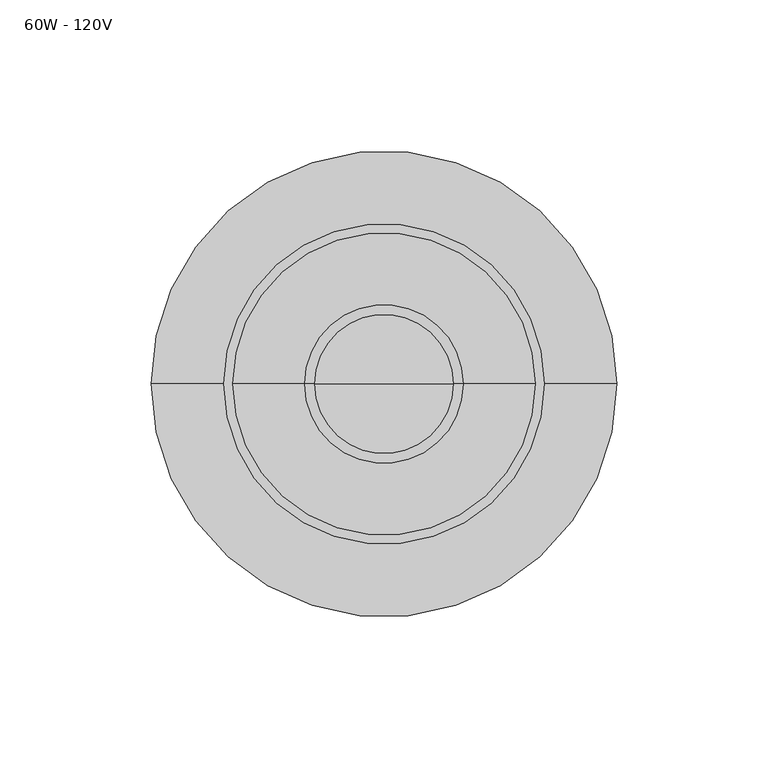
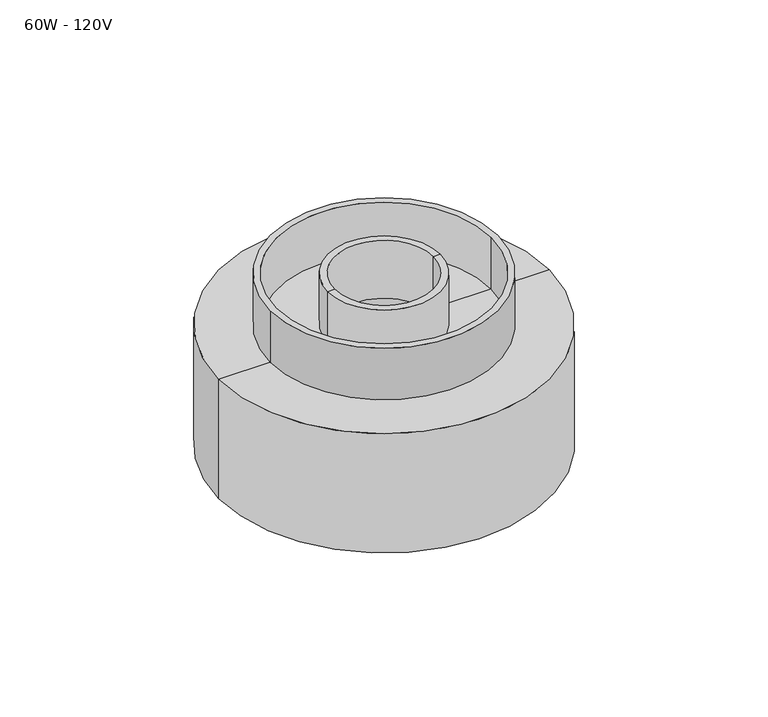
"""IFC4 building model written with IfcOpenShell, lengths in millimetres: light fixture geometry, 60W - 120V."""

from ifc_helpers import new_model, si_unit, point, frame, origin, origin_2d, place, context, project, spatial, polyline, circle_curve, trimmed, segment, composite_curve, outline, extrude, source, transform, mapped, element, save
from ifc_brep_helpers import plane_surface, cylinder_surface, revolved_surface, advanced_brep


def light_fixture_60w_120v_d44abfc2(model_context):
    return source(origin(), model_context, "Body", "SolidModel", [
        extrude(outline(composite_curve([segment(trimmed(circle_curve(origin_2d(), 53.0), [point((-53.0, 0.0))], [point((53.0, 0.0))], False, "CARTESIAN"), True, "CONTINUOUS"), segment(trimmed(circle_curve(origin_2d(), 53.0), [point((53.0, 0.0))], [point((-53.0, 0.0))], False, "CARTESIAN"), True, "CONTINUOUS")], self_intersect=False), holes=[composite_curve([segment(trimmed(circle_curve(origin_2d(), 50.0), [point((-50.0, 0.0))], [point((50.0, 0.0))], True, "CARTESIAN"), True, "CONTINUOUS"), segment(trimmed(circle_curve(origin_2d(), 50.0), [point((50.0, 0.0))], [point((-50.0, 0.0))], True, "CARTESIAN"), True, "CONTINUOUS")], self_intersect=False)]), frame((0.0, 0.0, 2413.0), z_axis=(0.0, 0.0, 1.0), x_axis=(1.0, 0.0, 0.0)), (0.0, 0.0, 1.0), 25.4),
        advanced_brep(
        [(77.0, 0.0, 2413.0), (26.2, 0.0, 2413.0), (-26.2, 0.0, 2413.0), (-77.0, 0.0, 2413.0), (77.0, 0.0, 2354.1), (-77.0, 0.0, 2354.1), (0.0, 0.0, 2354.1), (73.825, 0.0, 2357.275), (0.0, 0.0, 2357.275), (-73.825, 0.0, 2357.275), (73.825, 0.0, 2409.825), (-73.825, 0.0, 2409.825), (23.025, 0.0, 2409.825), (-23.025, 0.0, 2409.825), (23.025, 0.0, 2438.4), (-23.025, 0.0, 2438.4), (26.2, 0.0, 2438.4), (-26.2, 0.0, 2438.4)],
        [
            (0, 1),
            (1, 2, circle_curve(frame((0.0, 0.0, 2413.0), z_axis=(0.0, 0.0, -1.0), x_axis=(-1.0, 0.0, 0.0)), 26.2)),
            (2, 3),
            (3, 0, circle_curve(frame((0.0, 0.0, 2413.0), z_axis=(0.0, 0.0, 1.0), x_axis=(-1.0, 0.0, 0.0)), 77.0)),
            (2, 1, circle_curve(frame((0.0, 0.0, 2413.0), z_axis=(0.0, 0.0, -1.0), x_axis=(-1.0, 0.0, 0.0)), 26.2)),
            (0, 3, circle_curve(frame((0.0, 0.0, 2413.0), z_axis=(0.0, 0.0, 1.0), x_axis=(-1.0, 0.0, 0.0)), 77.0)),
            (4, 0),
            (3, 5),
            (5, 4, circle_curve(frame((0.0, 0.0, 2354.1), z_axis=(0.0, 0.0, 1.0), x_axis=(-1.0, 0.0, 0.0)), 77.0)),
            (4, 5, circle_curve(frame((0.0, 0.0, 2354.1), z_axis=(0.0, 0.0, 1.0), x_axis=(-1.0, 0.0, 0.0)), 77.0)),
            (6, 4),
            (5, 6),
            (7, 8),
            (8, 9),
            (9, 7, circle_curve(frame((0.0, 0.0, 2357.275), z_axis=(0.0, 0.0, 1.0), x_axis=(-1.0, 0.0, 0.0)), 73.825)),
            (7, 9, circle_curve(frame((0.0, 0.0, 2357.275), z_axis=(0.0, 0.0, 1.0), x_axis=(-1.0, 0.0, 0.0)), 73.825)),
            (10, 7),
            (9, 11),
            (11, 10, circle_curve(frame((0.0, 0.0, 2409.825), z_axis=(0.0, 0.0, 1.0), x_axis=(-1.0, 0.0, 0.0)), 73.825)),
            (10, 11, circle_curve(frame((0.0, 0.0, 2409.825), z_axis=(0.0, 0.0, 1.0), x_axis=(-1.0, 0.0, 0.0)), 73.825)),
            (12, 10),
            (11, 13),
            (13, 12, circle_curve(frame((0.0, 0.0, 2409.825), z_axis=(0.0, 0.0, 1.0), x_axis=(-1.0, 0.0, 0.0)), 23.025)),
            (12, 13, circle_curve(frame((0.0, 0.0, 2409.825), z_axis=(0.0, 0.0, 1.0), x_axis=(-1.0, 0.0, 0.0)), 23.025)),
            (14, 12),
            (13, 15),
            (15, 14, circle_curve(frame((0.0, 0.0, 2438.4), z_axis=(0.0, 0.0, 1.0), x_axis=(-1.0, 0.0, 0.0)), 23.025)),
            (14, 15, circle_curve(frame((0.0, 0.0, 2438.4), z_axis=(0.0, 0.0, 1.0), x_axis=(-1.0, 0.0, 0.0)), 23.025)),
            (16, 14),
            (15, 17),
            (17, 16, circle_curve(frame((0.0, 0.0, 2438.4), z_axis=(0.0, 0.0, 1.0), x_axis=(-1.0, 0.0, 0.0)), 26.2)),
            (16, 17, circle_curve(frame((0.0, 0.0, 2438.4), z_axis=(0.0, 0.0, 1.0), x_axis=(-1.0, 0.0, 0.0)), 26.2)),
            (1, 16),
            (17, 2),
        ],
        [
            plane_surface(frame((0.0, 0.0, 2413.0), z_axis=(0.0, 0.0, 1.0), x_axis=(-1.0, 0.0, 0.0))),
            cylinder_surface(frame((0.0, 0.0, 2463.8), z_axis=(0.0, 0.0, -1.0), x_axis=(-1.0, 0.0, 0.0)), 77.0),
            plane_surface(frame((0.0, 0.0, 2354.1), z_axis=(0.0, 0.0, -1.0), x_axis=(-1.0, 0.0, 0.0))),
            plane_surface(frame((0.0, 0.0, 2357.275), z_axis=(0.0, 0.0, 1.0), x_axis=(-1.0, 0.0, 0.0))),
            revolved_surface(polyline([(-73.825, 0.0, 2357.275), (-73.825, 0.0, 2409.825)]), (0.0, 0.0, 2463.8), (0.0, 0.0, -1.0)),
            plane_surface(frame((0.0, 0.0, 2409.825), z_axis=(0.0, 0.0, -1.0), x_axis=(-1.0, 0.0, 0.0))),
            revolved_surface(polyline([(-23.025, 0.0, 2409.825), (-23.025, 0.0, 2438.4)]), (0.0, 0.0, 2463.8), (0.0, 0.0, -1.0)),
            plane_surface(frame((0.0, 0.0, 2438.4), z_axis=(0.0, 0.0, 1.0), x_axis=(-1.0, 0.0, 0.0))),
            cylinder_surface(frame((0.0, 0.0, 2463.8), z_axis=(0.0, 0.0, -1.0), x_axis=(-1.0, 0.0, 0.0)), 26.2),
        ],
        [
            (0, [[1, 2, 3, 4]]),
            (0, [[-3, 5, -1, 6]]),
            (1, [[7, -4, 8, 9]]),
            (1, [[-8, -6, -7, 10]]),
            (2, [[11, -9, 12]]),
            (2, [[-12, -10, -11]]),
            (3, [[13, 14, 15]]),
            (3, [[-14, -13, 16]]),
            (4, [[17, -15, 18, 19]]),
            (4, [[-18, -16, -17, 20]]),
            (5, [[21, -19, 22, 23]]),
            (5, [[-22, -20, -21, 24]]),
            (6, [[25, -23, 26, 27]]),
            (6, [[-26, -24, -25, 28]]),
            (7, [[29, -27, 30, 31]]),
            (7, [[-30, -28, -29, 32]]),
            (8, [[33, -31, 34, -2]]),
            (8, [[-34, -32, -33, -5]]),
        ],
    ),
    ])


if __name__ == "__main__":
    model = new_model("IFC4")
    model_context = context("Model", 3, world=origin())
    ifc_project = project(units=[si_unit("LENGTHUNIT", "METRE", prefix="MILLI")], contexts=[model_context])
    site = spatial("IfcSite", under=ifc_project)
    building = spatial("IfcBuilding", under=site)
    placement = place(None, origin())
    light_fixture_60w_120v_shape = light_fixture_60w_120v_d44abfc2(model_context)
    element("IfcLightFixture", 1, ObjectType="60W - 120V", at=placement, inside=building, context=model_context, shape_type="MappedRepresentation", body=[
        mapped(light_fixture_60w_120v_shape, transform((0.0, 0.0, 0.0), x_axis=(1.0, 0.0, 0.0), y_axis=(0.0, 1.0, 0.0), z_axis=(0.0, 0.0, 1.0))),
    ])
    save(model, "model.ifc")
